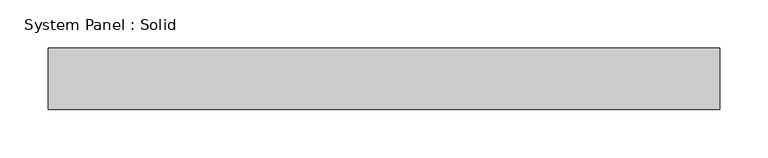
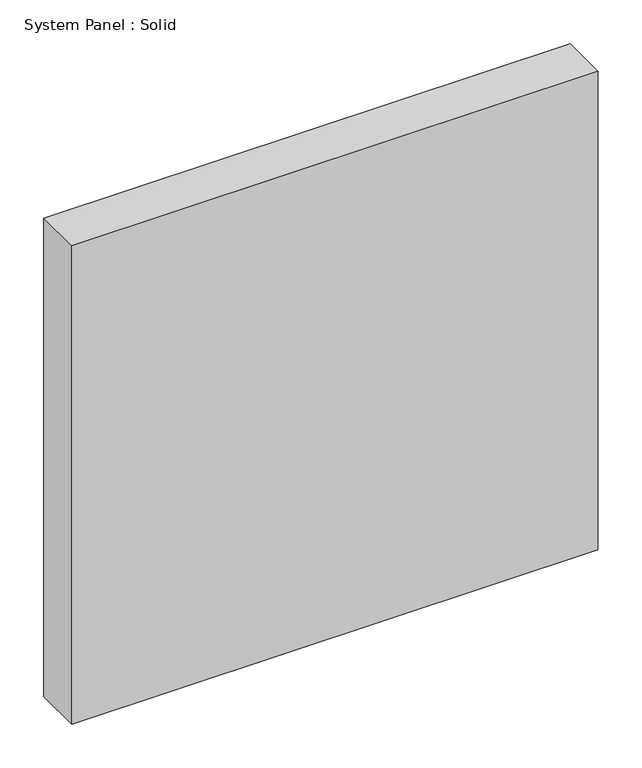
"""IFC4 building model written with IfcOpenShell, lengths in millimetres: plate geometry, System Panel : Solid."""

from ifc_helpers import new_model, si_unit, origin, origin_with_axes, place, context, project, spatial, polyline, outline, extrude, source, transform, mapped, element, save


def system_panel_solid_88a3d8df(model_context):
    return source(origin(), model_context, "Body", "SweptSolid", [
        extrude(outline(polyline([(346.86875, -19.05), (-346.86875, -19.05), (-346.86875, 44.45), (346.86875, 44.45), (346.86875, -19.05)])), origin_with_axes(), (0.0, 0.0, 1.0), 666.75),
    ])


if __name__ == "__main__":
    model = new_model("IFC4")
    model_context = context("Model", 3, world=origin())
    ifc_project = project(units=[si_unit("LENGTHUNIT", "METRE", prefix="MILLI")], contexts=[model_context])
    site = spatial("IfcSite", under=ifc_project)
    building = spatial("IfcBuilding", under=site)
    placement = place(None, origin())
    system_panel_solid_shape = system_panel_solid_88a3d8df(model_context)
    element("IfcPlate", 1, ObjectType="System Panel : Solid", at=placement, inside=building, context=model_context, shape_type="MappedRepresentation", body=[
        mapped(system_panel_solid_shape, transform((0.0, 0.0, 0.0), x_axis=(1.0, 0.0, 0.0), y_axis=(0.0, 1.0, 0.0), z_axis=(0.0, 0.0, 1.0))),
    ])
    save(model, "model.ifc")
